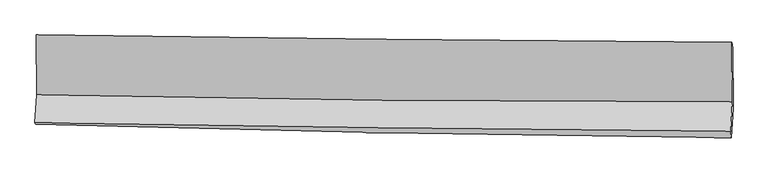
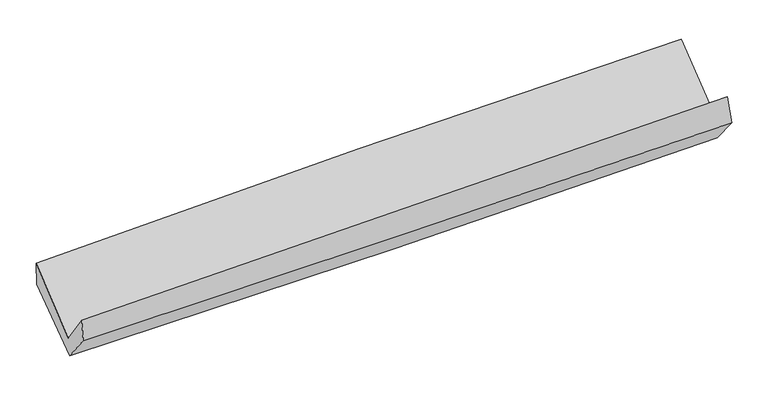
"""IFC4 building model written with IfcOpenShell, lengths in millimetres: proxy geometry."""

from ifc_helpers import new_model, si_unit, frame, origin, place, context, project, spatial, source, transform, mapped, element, save
from ifc_brep_helpers import plane_surface, spline_curve, spline_surface, advanced_brep


def generic_models_37b29582(model_context):
    return source(origin(), model_context, "Body", "AdvancedBrep", [
        advanced_brep(
        [(-3022.0469489, -1171.9497374, 2162.6497052), (-3018.545278, -1688.4925995, 1729.5549001), (3010.6679031, -1751.0562806, 1904.5013571), (3007.1255203, -1234.6825002, 2318.2222312), (-3033.7807508, -1934.8226989, 2063.9321579), (2995.9105266, -2006.4807496, 2218.0287127), (-3027.7472163, -1946.1483001, 1863.8407548), (3002.0743795, -2064.0436361, 1990.843063), (-3013.872924, -1708.6469429, 1567.5290788), (3016.6522217, -1807.7813507, 1683.4414795), (-3015.5007602, -1172.7129768, 1952.7201146), (3012.8680528, -1283.7866757, 2109.2161213)],
        [
            (0, 1),
            (1, 2, spline_curve(3, [(-3018.545278, -1688.4925995, 1729.5549001), (-2014.072954568, -1711.319966173, 1762.730036906), (-1009.436966047, -1727.947357366, 1793.895611511), (1000.300715627, -1748.803625637, 1852.211650486), (2005.402454261, -1753.030794625, 1879.361561914), (3010.6679031, -1751.0562806, 1904.5013571)], [4, 2, 4], [0.0, 9.89419989214542, 19.78976235611063])),
            (2, 3),
            (3, 0, spline_curve(3, [(3007.1255203, -1234.6825002, 2318.2222312), (2001.585950197, -1227.156405099, 2310.653549557), (996.350553778, -1218.165166222, 2293.90330711), (-1013.373519135, -1197.253842172, 2242.043269775), (-2017.862278552, -1185.334159509, 2206.936004079), (-3022.0469489, -1171.9497374, 2162.6497052)], [4, 2, 4], [0.0, 9.89556246396521, 19.78976235611063])),
            (1, 4),
            (4, 5, spline_curve(3, [(-3033.7807508, -1934.8226989, 2063.9321579), (-2028.965972969, -1949.222325329, 2091.198495832), (-1024.118909529, -1962.393316338, 2117.672214592), (985.778174284, -1986.279671494, 2169.037951461), (1990.828203149, -1996.994697714, 2193.929750772), (2995.9105266, -2006.4807496, 2218.0287127)], [4, 2, 4], [0.0, 9.89452308763943, 19.790408791607256])),
            (5, 2),
            (4, 6),
            (6, 7, spline_curve(3, [(-3027.7472163, -1946.1483001, 1863.8407548), (-2022.945981243, -1975.567524494, 1883.075907841), (-1018.094831653, -2000.101408086, 1903.276215101), (991.845686398, -2039.401198798, 1945.610051683), (1996.935068574, -2054.165760867, 1967.743847427), (3002.0743795, -2064.0436361, 1990.843063)], [4, 2, 4], [0.0, 9.894613664778163, 19.79058995835848])),
            (7, 5),
            (6, 8),
            (8, 9, spline_curve(3, [(-3013.872924, -1708.6469429, 1567.5290788), (-2008.673628002, -1732.371474964, 1577.607068291), (-1003.564813027, -1752.49462084, 1592.304446799), (1006.610260723, -1785.54041564, 1630.940640994), (2011.67649394, -1798.462072172, 1654.880729801), (3016.6522217, -1807.7813507, 1683.4414795)], [4, 2, 4], [0.0, 9.895091910072571, 19.791546514808466])),
            (9, 7),
            (8, 10),
            (10, 11, spline_curve(3, [(-3015.5007602, -1172.7129768, 1952.7201146), (-2011.051262291, -1201.031931336, 1980.236090302), (-1006.497041931, -1224.44725042, 2007.034563513), (1002.959200534, -1261.473167702, 2059.200096607), (2007.861250703, -1275.082414641, 2084.566959111), (3012.8680528, -1283.7866757, 2109.2161213)], [4, 2, 4], [0.0, 9.894295834866599, 19.78995425476566])),
            (11, 9),
            (10, 0),
            (3, 11),
        ],
        [
            spline_surface(3, 3, [[(-3022.0469489, -1171.9497374, 2162.6497052), (-2017.862278676, -1185.334159659, 2206.936004), (-1013.373519002, -1197.253842011, 2242.043269931), (996.350553645, -1218.165166383, 2293.903306954), (2001.585950356, -1227.156405005, 2310.653549658), (3007.1255203, -1234.6825002, 2318.2222312)], [(-3020.879725273, -1344.130691417, 2018.284770176), (-2016.599170657, -1360.662761786, 2058.867348326), (-1012.061334755, -1374.15168049, 2092.660717071), (997.667274327, -1395.044652785, 2146.672754822), (2002.858118353, -1402.447868209, 2166.88955371), (3008.306314554, -1406.807093679, 2180.315273171)], [(-3019.712501627, -1516.311645483, 1873.919835124), (-2015.336062618, -1535.991363962, 1910.798692622), (-1010.749150433, -1551.049518952, 1943.278164256), (998.983995085, -1571.924139171, 1999.442202734), (2004.130286389, -1577.739331376, 2023.125557747), (3009.487108846, -1578.931687121, 2042.408315129)], [(-3018.545278, -1688.4925995, 1729.5549001), (-2014.072954598, -1711.319966089, 1762.730036947), (-1009.436966187, -1727.947357431, 1793.895611395), (1000.300715767, -1748.803625573, 1852.211650602), (2005.402454386, -1753.030794581, 1879.361561799), (3010.6679031, -1751.0562806, 1904.5013571)]], [4, 4], [4, 2, 4], [0.0, 2.2720261422129475], [0.0, 9.89419989214542, 19.78976235611063]),
            spline_surface(3, 3, [[(-3018.545278, -1688.4925995, 1729.5549001), (-2014.072954598, -1711.319966089, 1762.730036947), (-1009.436966187, -1727.947357431, 1793.895611395), (1000.300715767, -1748.803625573, 1852.211650602), (2005.402454386, -1753.030794581, 1879.361561799), (3010.6679031, -1751.0562806, 1904.5013571)], [(-3023.623768914, -1770.602632633, 1841.013986024), (-2019.037293988, -1790.620752511, 1872.219523233), (-1014.33094726, -1806.096010378, 1901.821145857), (995.459868568, -1827.962307585, 1957.820417533), (2000.544370683, -1834.352095581, 1984.217624758), (3005.748777623, -1836.197770271, 2009.010475637)], [(-3028.702259886, -1852.712665767, 1952.473071976), (-2024.001633437, -1869.921538935, 1981.709009546), (-1019.224928338, -1884.2446633, 2009.746680256), (990.619021365, -1907.120989572, 2063.429184402), (1995.686286913, -1915.673396569, 2089.073687706), (3000.829652077, -1921.339259929, 2113.519594163)], [(-3033.7807508, -1934.8226989, 2063.9321579), (-2028.965972827, -1949.222325357, 2091.198495831), (-1024.118909411, -1962.393316247, 2117.672214718), (985.778174167, -1986.279671585, 2169.037951334), (1990.82820321, -1996.994697569, 2193.929750665), (2995.9105266, -2006.4807496, 2218.0287127)]], [4, 4], [4, 2, 4], [0.0, 1.3061024528193927], [0.0, 9.89452308763943, 19.790408791607256]),
            spline_surface(3, 3, [[(-3033.7807508, -1934.8226989, 2063.9321579), (-2028.965972827, -1949.222325357, 2091.198495831), (-1024.118909411, -1962.393316247, 2117.672214718), (985.778174167, -1986.279671585, 2169.037951334), (1990.82820321, -1996.994697569, 2193.929750665), (2995.9105266, -2006.4807496, 2218.0287127)], [(-3031.769572654, -1938.597899309, 1997.235023558), (-2026.95930903, -1958.004058401, 2021.824299858), (-1022.110883487, -1974.96268014, 2046.20688144), (987.800678299, -2003.986847356, 2094.561984804), (1992.86382504, -2016.051718626, 2118.534449582), (2997.965144225, -2025.668378415, 2142.300162779)], [(-3029.758394446, -1942.373099691, 1930.537889142), (-2024.952645172, -1966.785791417, 1952.450103811), (-1020.102857652, -1987.532044063, 1974.74154824), (989.823182341, -2021.694023157, 2020.086018353), (1994.899446895, -2035.108739739, 2043.139148561), (3000.019761875, -2044.856007285, 2066.571612921)], [(-3027.7472163, -1946.1483001, 1863.8407548), (-2022.945981376, -1975.56752446, 1883.075907839), (-1018.094831727, -2000.101407955, 1903.276214961), (991.845686473, -2039.401198928, 1945.610051824), (1996.935068725, -2054.165760796, 1967.743847477), (3002.0743795, -2064.0436361, 1990.843063)]], [4, 4], [4, 2, 4], [0.0, 0.7337785053711312], [0.0, 9.894613664778163, 19.79058995835848]),
            spline_surface(3, 3, [[(-3027.7472163, -1946.1483001, 1863.8407548), (-2022.945981376, -1975.56752446, 1883.075907839), (-1018.094831727, -2000.101407955, 1903.276214961), (991.845686473, -2039.401198928, 1945.610051824), (1996.935068725, -2054.165760796, 1967.743847477), (3002.0743795, -2064.0436361, 1990.843063)], [(-3023.122452177, -1866.981181042, 1765.070196123), (-2018.188530227, -1894.502174658, 1781.252961307), (-1013.25149214, -1917.565812298, 1799.618958855), (996.76721115, -1954.780937806, 1840.720248266), (2001.848877161, -1968.93119795, 1863.456141559), (3006.933660218, -1978.622874307, 1888.375868518)], [(-3018.497688123, -1787.814061958, 1666.299637477), (-2013.431079148, -1813.436824831, 1679.430014805), (-1008.408152473, -1835.030216609, 1695.961702749), (1001.688735905, -1870.160676651, 1735.830444708), (2006.762685643, -1883.696635083, 1759.168435587), (3011.792940982, -1893.202112493, 1785.908673982)], [(-3013.872924, -1708.6469429, 1567.5290788), (-2008.673628, -1732.371475029, 1577.607068274), (-1003.564812886, -1752.494620952, 1592.304446643), (1006.610260581, -1785.540415528, 1630.94064115), (2011.676494079, -1798.462072237, 1654.880729669), (3016.6522217, -1807.7813507, 1683.4414795)]], [4, 4], [4, 2, 4], [0.0, 1.3161815014254121], [0.0, 9.895091910072571, 19.791546514808466]),
            spline_surface(3, 3, [[(-3013.872924, -1708.6469429, 1567.5290788), (-2008.673628, -1732.371475029, 1577.607068274), (-1003.564812886, -1752.494620952, 1592.304446643), (1006.610260581, -1785.540415528, 1630.94064115), (2011.676494079, -1798.462072237, 1654.880729669), (3016.6522217, -1807.7813507, 1683.4414795)], [(-3014.415536078, -1530.002287516, 1695.92609074), (-2009.466172785, -1555.2582938, 1711.81674227), (-1004.54222251, -1576.478830832, 1730.54781893), (1005.39324052, -1610.851332876, 1773.693792994), (2010.404746342, -1624.002186378, 1798.109472767), (3015.390832079, -1633.11645902, 1825.366360075)], [(-3014.958148122, -1351.357632184, 1824.32310266), (-2010.258717538, -1378.145112622, 1846.026416248), (-1005.519632152, -1400.463040691, 1868.791191185), (1004.17622044, -1436.162250204, 1916.446944805), (2009.132998567, -1449.542300558, 1941.338215939), (3014.129442421, -1458.45156738, 1967.291240725)], [(-3015.5007602, -1172.7129768, 1952.7201146), (-2011.051262324, -1201.031931393, 1980.236090245), (-1006.497041777, -1224.44725057, 2007.034563472), (1002.959200379, -1261.473167551, 2059.200096648), (2007.86125083, -1275.082414699, 2084.566959037), (3012.8680528, -1283.7866757, 2109.2161213)]], [4, 4], [4, 2, 4], [0.0, 2.211601201344903], [0.0, 9.894295834866599, 19.78995425476566]),
            spline_surface(3, 3, [[(-3015.5007602, -1172.7129768, 1952.7201146), (-2011.051262324, -1201.031931393, 1980.236090245), (-1006.497041777, -1224.44725057, 2007.034563472), (1002.959200379, -1261.473167551, 2059.200096648), (2007.86125083, -1275.082414699, 2084.566959037), (3012.8680528, -1283.7866757, 2109.2161213)], [(-3017.682823105, -1172.458563683, 2022.696644779), (-2013.321601113, -1195.799340831, 2055.802728142), (-1008.789200837, -1215.382781029, 2085.370798968), (1000.756318149, -1247.037167141, 2137.434500093), (2005.769484007, -1259.107078143, 2159.92915593), (3010.953875302, -1267.418617208, 2178.884824619)], [(-3019.864885995, -1172.204150517, 2092.673175021), (-2015.591939887, -1190.566750221, 2131.369366103), (-1011.081359942, -1206.318311552, 2163.707034435), (998.553435875, -1232.601166794, 2215.668903509), (2003.677717179, -1243.131741561, 2235.291352765), (3009.039697798, -1251.050558692, 2248.553527881)], [(-3022.0469489, -1171.9497374, 2162.6497052), (-2017.862278676, -1185.334159659, 2206.936004), (-1013.373519002, -1197.253842011, 2242.043269931), (996.350553645, -1218.165166383, 2293.903306954), (2001.585950356, -1227.156405005, 2310.653549658), (3007.1255203, -1234.6825002, 2318.2222312)]], [4, 4], [4, 2, 4], [0.0, 0.7794702774151907], [0.0, 9.893542410684812, 19.78844730264488]),
            plane_surface(frame((3007.5497673, -1691.3051988, 2037.3754941), z_axis=(0.9993189000410845, -0.018654431929370857, 0.03183941252707984), x_axis=(-0.005604676883883403, 0.7760808118399685, 0.6306085640798441))),
            plane_surface(frame((-3021.9156464, -1603.7955426, 1890.0377852), z_axis=(-0.9993236273343312, 0.019412194514408763, -0.03123226785697131), x_axis=(0.03116742699774088, -0.003633901773469078, -0.9995075718833957))),
        ],
        [
            (0, [[1, 2, 3, 4]]),
            (1, [[5, 6, 7, -2]]),
            (2, [[8, 9, 10, -6]]),
            (3, [[11, 12, 13, -9]]),
            (4, [[14, 15, 16, -12]]),
            (5, [[17, -4, 18, -15]]),
            (6, [[-16, -18, -3, -7, -10, -13]]),
            (7, [[-17, -14, -11, -8, -5, -1]]),
        ],
    ),
    ])


if __name__ == "__main__":
    model = new_model("IFC4")
    model_context = context("Model", 3, world=origin())
    ifc_project = project(units=[si_unit("LENGTHUNIT", "METRE", prefix="MILLI")], contexts=[model_context])
    site = spatial("IfcSite", under=ifc_project)
    building = spatial("IfcBuilding", under=site)
    placement = place(None, origin())
    generic_models_shape = generic_models_37b29582(model_context)
    element("IfcBuildingElementProxy", 1, Name="Generic Models", at=placement, inside=building, context=model_context, shape_type="MappedRepresentation", body=[
        mapped(generic_models_shape, transform((0.0, 0.0, 0.0), x_axis=(1.0, 0.0, 0.0), y_axis=(0.0, 1.0, 0.0), z_axis=(0.0, 0.0, 1.0))),
    ])
    save(model, "model.ifc")
